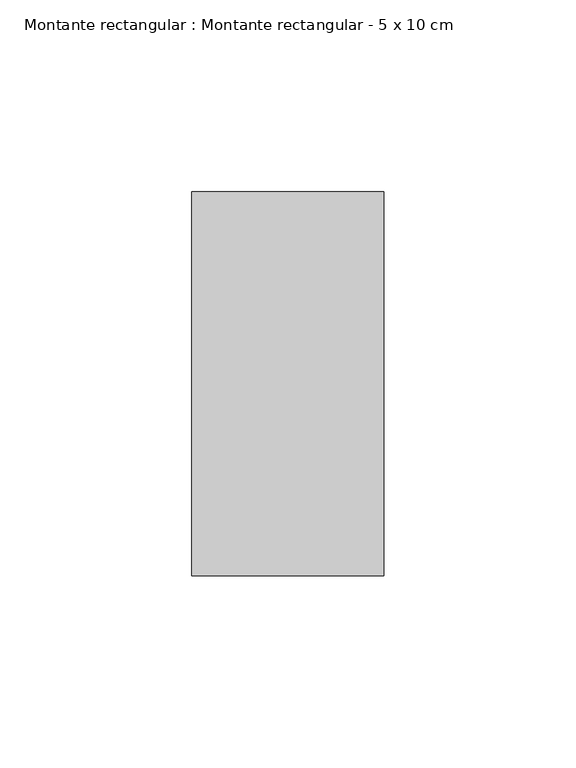
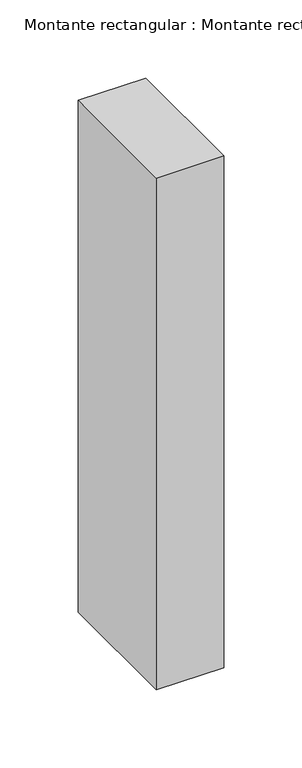
"""IFC4 building model written with IfcOpenShell, lengths in millimetres: member geometry, Montante rectangular : Montante rectangular - 5 x 10 cm."""

from ifc_helpers import new_model, si_unit, frame, origin, place, context, project, spatial, polyline, outline, extrude, source, transform, mapped, element, save


def montante_rectangular_montante_rectangular_5_x_10_cm_c89d4b8e(model_context):
    return source(origin(), model_context, "Body", "SweptSolid", [
        extrude(outline(polyline([(0.0, 50.0), (0.0, -50.0), (-50.0, -50.0), (-50.0, 50.0), (0.0, 50.0)])), frame((0.0, 0.0, -400.0), z_axis=(0.0, 0.0, 1.0), x_axis=(1.0, 0.0, 0.0)), (0.0, 0.0, 1.0), 400.0),
    ])


if __name__ == "__main__":
    model = new_model("IFC4")
    model_context = context("Model", 3, world=origin())
    ifc_project = project(units=[si_unit("LENGTHUNIT", "METRE", prefix="MILLI")], contexts=[model_context])
    site = spatial("IfcSite", under=ifc_project)
    building = spatial("IfcBuilding", under=site)
    placement = place(None, origin())
    montante_rectangular_montante_rectangular_5_x_10_cm_shape = montante_rectangular_montante_rectangular_5_x_10_cm_c89d4b8e(model_context)
    element("IfcMember", 1, ObjectType="Montante rectangular : Montante rectangular - 5 x 10 cm", at=placement, inside=building, context=model_context, shape_type="MappedRepresentation", body=[
        mapped(montante_rectangular_montante_rectangular_5_x_10_cm_shape, transform((0.0, 0.0, 0.0), x_axis=(1.0, 0.0, 0.0), y_axis=(0.0, 1.0, 0.0), z_axis=(0.0, 0.0, 1.0))),
    ])
    save(model, "model.ifc")
